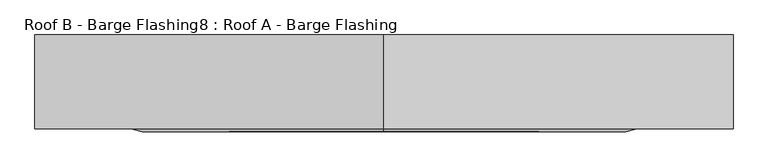
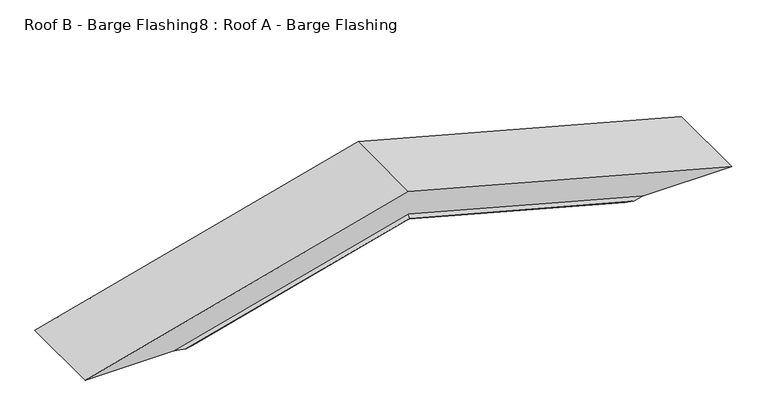
"""IFC4 building model written with IfcOpenShell, lengths in millimetres: proxy geometry, Roof B - Barge Flashing8 : Roof A - Barge Flashing."""

from ifc_helpers import new_model, si_unit, origin, place, context, project, spatial, faceted_brep, source, transform, mapped, element, save


def roof_b_barge_flashing8_roof_a_barge_flashing_a218df4b(model_context):
    return source(origin(), model_context, "Body", "Brep", [
        faceted_brep([(37497.2227874, -15604.495178, 3545.332841), (35828.9343483, -15604.495178, 3992.349381), (34160.6459092, -15604.495178, 3545.332841), (34340.3081129, -15604.495178, 3545.332841), (35828.9343483, -15604.495178, 3944.2090386), (37317.5605837, -15604.495178, 3545.332841), (35828.9343483, -15603.495178, 3944.2090386), (37317.5605837, -15603.495178, 3545.332841), (34340.3081129, -15603.495178, 3545.332841), (34156.7822059, -15603.495178, 3545.332841), (35828.9343483, -15603.495178, 3993.3846572), (37501.0864907, -15603.495178, 3545.332841), (35828.9343483, -16053.6297919, 3993.3846572), (37501.0864907, -16053.6297919, 3545.332841), (34156.7822059, -16053.6297919, 3545.332841), (34615.5969734, -16053.6297919, 3545.332841), (35828.9343483, -16053.6297919, 3870.4456108), (37042.2717232, -16053.6297919, 3545.332841), (35828.9343483, -16067.7719275, 3855.8045946), (36987.6307071, -16067.7719275, 3545.332841), (35828.9343483, -16057.1653258, 3844.8238325), (36946.649945, -16057.1653258, 3545.332841), (35828.9343483, -16056.458219, 3845.5558833), (36949.3819958, -16056.458219, 3545.332841), (35828.9343483, -16066.3577139, 3855.8045946), (36987.6307071, -16066.3577139, 3545.332841), (35828.9343483, -16052.6297919, 3870.0167853), (37040.6713249, -16052.6297919, 3545.332841), (34617.1973717, -16052.6297919, 3545.332841), (34160.6459092, -16052.6297919, 3545.332841), (35828.9343483, -16052.6297919, 3992.349381), (37497.2227874, -16052.6297919, 3545.332841), (34670.2379895, -16067.7719275, 3545.332841), (34711.2187516, -16057.1653258, 3545.332841), (34708.4867008, -16056.458219, 3545.332841), (34670.2379895, -16066.3577139, 3545.332841)], [[[0, 1, 2, 3, 4, 5]], [[4, 6, 7, 5]], [[7, 6, 8, 9, 10, 11]], [[10, 12, 13, 11]], [[13, 12, 14, 15, 16, 17]], [[16, 18, 19, 17]], [[18, 20, 21, 19]], [[20, 22, 23, 21]], [[22, 24, 25, 23]], [[24, 26, 27, 25]], [[27, 26, 28, 29, 30, 31]], [[30, 1, 0, 31]], [[6, 4, 3, 8]], [[12, 10, 9, 14]], [[18, 16, 15, 32]], [[20, 18, 32, 33]], [[22, 20, 33, 34]], [[24, 22, 34, 35]], [[26, 24, 35, 28]], [[1, 30, 29, 2]], [[0, 5, 7, 11, 13, 17, 19, 21, 23, 25, 27, 31]], [[3, 2, 29, 28, 35, 34, 33, 32, 15, 14, 9, 8]]]),
    ])


if __name__ == "__main__":
    model = new_model("IFC4")
    model_context = context("Model", 3, world=origin())
    ifc_project = project(units=[si_unit("LENGTHUNIT", "METRE", prefix="MILLI")], contexts=[model_context])
    site = spatial("IfcSite", under=ifc_project)
    building = spatial("IfcBuilding", under=site)
    placement = place(None, origin())
    roof_b_barge_flashing8_roof_a_barge_flashing_shape = roof_b_barge_flashing8_roof_a_barge_flashing_a218df4b(model_context)
    element("IfcBuildingElementProxy", 1, Name="Roof B - Barge Flashing8 : Roof A - Barge Flashing", ObjectType="Roof B - Barge Flashing8 : Roof A - Barge Flashing", at=placement, inside=building, context=model_context, shape_type="MappedRepresentation", body=[
        mapped(roof_b_barge_flashing8_roof_a_barge_flashing_shape, transform((0.0, 0.0, 0.0), x_axis=(1.0, 0.0, 0.0), y_axis=(0.0, 1.0, 0.0), z_axis=(0.0, 0.0, 1.0))),
    ])
    save(model, "model.ifc")
